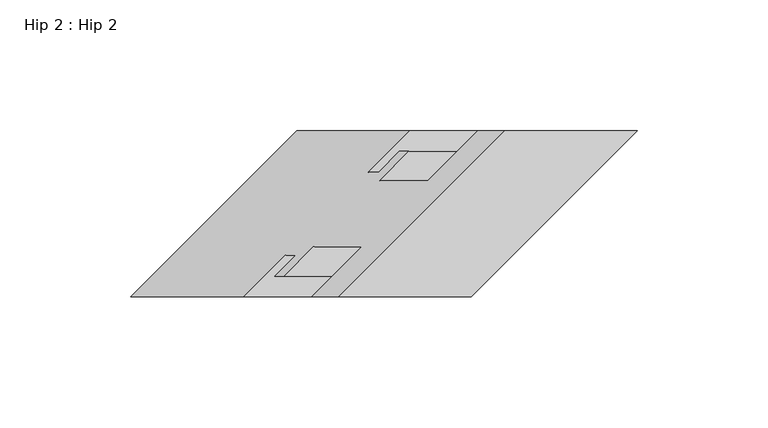
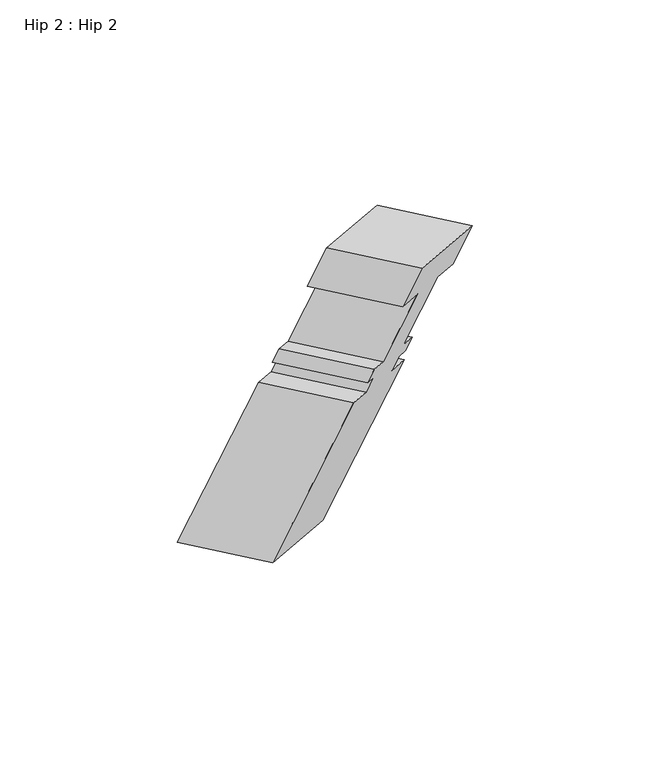
"""IFC4 building model written with IfcOpenShell, lengths in millimetres: proxy geometry, Hip 2 : Hip 2."""

from ifc_helpers import new_model, si_unit, origin, place, context, project, spatial, faceted_brep, source, transform, mapped, element, save


def hip_2_hip_2_65aeca88(model_context):
    return source(origin(), model_context, "Body", "Brep", [
        faceted_brep([(-5854.0404507, 10920.3035481, 683.5749555), (-5803.3729703, 10920.3035481, 654.3220721), (-5739.8729703, 10983.8035481, 617.66033), (-5790.5404507, 10983.8035481, 646.9132135), (-5864.3592007, 10920.3035481, 665.7023563), (-5813.6917203, 10920.3035481, 636.4494728), (-5845.3282507, 10939.3535481, 654.6708381), (-5794.6607703, 10939.3535481, 625.4179546), (-5863.7063414, 10939.3535481, 622.8390514), (-5813.0388609, 10939.3535481, 593.5861679), (-5874.8315414, 10928.2283481, 629.2621886), (-5824.1640609, 10928.2283481, 600.0093051), (-5878.4625507, 10928.2283481, 622.9730959), (-5827.7950703, 10928.2283481, 593.7202124), (-5870.5123507, 10936.1785481, 618.3830458), (-5819.8448703, 10936.1785481, 589.1301623), (-5874.4620507, 10936.1785481, 611.5419647), (-5823.7945703, 10936.1785481, 582.2890812), (-5890.3370507, 10920.3035481, 620.7074002), (-5839.6695703, 10920.3035481, 591.4545167), (-5933.6059507, 10920.3035481, 545.763467), (-5882.9384703, 10920.3035481, 516.5105835), (-5870.1059507, 10983.8035481, 509.1017249), (-5819.4384703, 10983.8035481, 479.8488415), (-5826.8370507, 10983.8035481, 584.0456581), (-5776.1695703, 10983.8035481, 554.7927746), (-5842.7120507, 10967.9285481, 593.2110936), (-5792.0445703, 10967.9285481, 563.9582102), (-5838.7623507, 10967.9285481, 600.0521747), (-5788.0948703, 10967.9285481, 570.7992912), (-5830.8121507, 10975.8787481, 595.4621246), (-5780.1446703, 10975.8787481, 566.2092411), (-5827.2307507, 10975.8787481, 601.6652914), (-5776.5632703, 10975.8787481, 572.4124079), (-5838.3559507, 10964.7535481, 608.0884286), (-5787.6884703, 10964.7535481, 578.8355451), (-5819.9282507, 10964.7535481, 640.0061412), (-5769.2607703, 10964.7535481, 610.7532578), (-5800.8782507, 10983.8035481, 629.0076186), (-5750.2107703, 10983.8035481, 599.7547351)], [[[0, 1, 2, 3]], [[1, 0, 4, 5]], [[5, 4, 6, 7]], [[7, 6, 8, 9]], [[9, 8, 10, 11]], [[11, 10, 12, 13]], [[13, 12, 14, 15]], [[15, 14, 16, 17]], [[17, 16, 18, 19]], [[19, 18, 20, 21]], [[21, 20, 22, 23]], [[23, 22, 24, 25]], [[25, 24, 26, 27]], [[27, 26, 28, 29]], [[29, 28, 30, 31]], [[31, 30, 32, 33]], [[33, 32, 34, 35]], [[35, 34, 36, 37]], [[37, 36, 38, 39]], [[39, 38, 3, 2]], [[2, 1, 5, 7, 9, 11, 13, 15, 17, 19, 21, 23, 25, 27, 29, 31, 33, 35, 37, 39]], [[0, 3, 38, 36, 34, 32, 30, 28, 26, 24, 22, 20, 18, 16, 14, 12, 10, 8, 6, 4]]]),
    ])


if __name__ == "__main__":
    model = new_model("IFC4")
    model_context = context("Model", 3, world=origin())
    ifc_project = project(units=[si_unit("LENGTHUNIT", "METRE", prefix="MILLI")], contexts=[model_context])
    site = spatial("IfcSite", under=ifc_project)
    building = spatial("IfcBuilding", under=site)
    placement = place(None, origin())
    hip_2_hip_2_shape = hip_2_hip_2_65aeca88(model_context)
    element("IfcBuildingElementProxy", 1, Name="Hip 2 : Hip 2", ObjectType="Hip 2 : Hip 2", at=placement, inside=building, context=model_context, shape_type="MappedRepresentation", body=[
        mapped(hip_2_hip_2_shape, transform((0.0, 0.0, 0.0), x_axis=(1.0, 0.0, 0.0), y_axis=(0.0, 1.0, 0.0), z_axis=(0.0, 0.0, 1.0))),
    ])
    save(model, "model.ifc")
